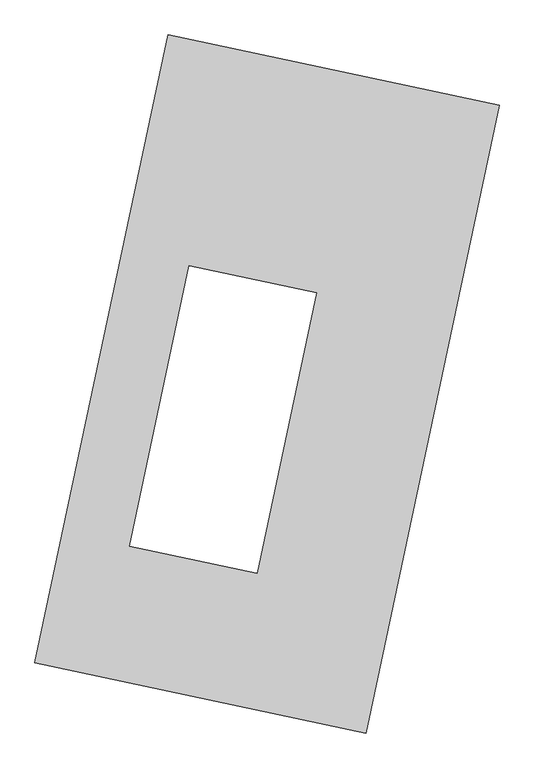
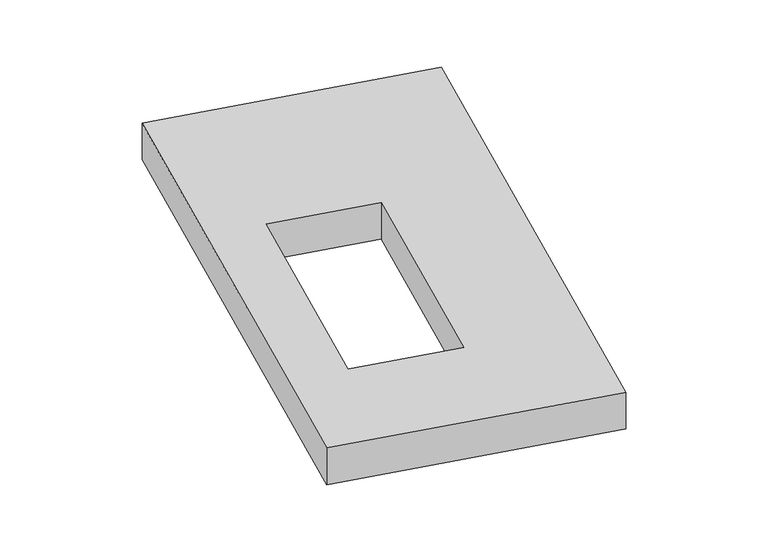
"""IFC4 building model written with IfcOpenShell, lengths in millimetres: proxy geometry."""

from ifc_helpers import new_model, si_unit, origin, origin_with_axes, place, context, project, spatial, polyline, outline, extrude, source, transform, mapped, element, save


def generic_models_2e53c335(model_context):
    return source(origin(), model_context, "Body", "SweptSolid", [
        extrude(outline(polyline([(-617.3692021, 2175.5580432), (1447.7508745, 1737.3010494), (617.3692021, -2175.5580432), (-1447.7508745, -1737.3010494), (-617.3692021, 2175.5580432)]), holes=[polyline([(308.7710394, 569.1364983), (-487.0843681, 738.0318581), (-858.0305745, -1009.9116297), (-62.1751671, -1178.8069895), (308.7710394, 569.1364983)])]), origin_with_axes(), (0.0, 0.0, 1.0), 300.0),
    ])


if __name__ == "__main__":
    model = new_model("IFC4")
    model_context = context("Model", 3, world=origin())
    ifc_project = project(units=[si_unit("LENGTHUNIT", "METRE", prefix="MILLI")], contexts=[model_context])
    site = spatial("IfcSite", under=ifc_project)
    building = spatial("IfcBuilding", under=site)
    placement = place(None, origin())
    generic_models_shape = generic_models_2e53c335(model_context)
    element("IfcBuildingElementProxy", 1, Name="Generic Models", at=placement, inside=building, context=model_context, shape_type="MappedRepresentation", body=[
        mapped(generic_models_shape, transform((0.0, 0.0, 0.0), x_axis=(1.0, 0.0, 0.0), y_axis=(0.0, 1.0, 0.0), z_axis=(0.0, 0.0, 1.0))),
    ])
    save(model, "model.ifc")
